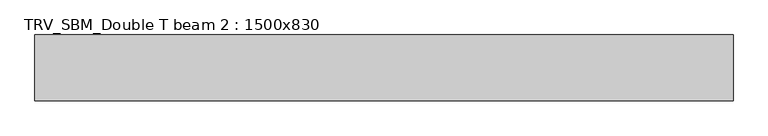
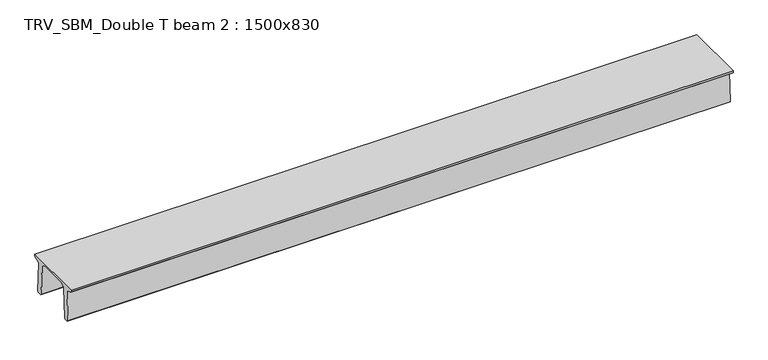
"""IFC4 building model written with IfcOpenShell, lengths in millimetres: beam geometry, TRV_SBM_Double T beam 2 : 1500x830."""

import ifcopenshell
import ifcopenshell.guid

model = None  # the IFC model being written
_history = None  # IfcOwnerHistory: only IFC2X3 demands one
_inside = {}  # id of a spatial element -> (the spatial element, [elements in it])
_under = {}  # id of a project, library or spatial element -> (it, [spatial elements below it])
_declared = {}  # id of a project -> (the project, [libraries it declares])
_typed = {}  # id of a type object -> (the type object, [elements of that type])
_made_of = {}  # id of a material, layer set ... -> (it, [elements and type objects made of it])


def new_model(schema):
    """Start an empty IFC model of exactly this schema.

    Asked for "IFC4X3", IfcOpenShell would pick the latest addendum, in which some entities
    have other attributes; the version numbers below select the first issue.
    IFC2X3 requires an IfcOwnerHistory on every rooted entity: one is made here for all.
    """
    global model, _history
    if schema == "IFC4X3":
        model = ifcopenshell.file(schema_version=(4, 3, 0, 0))
    else:
        model = ifcopenshell.file(schema=schema)
    _inside.clear()
    _under.clear()
    _declared.clear()
    _typed.clear()
    _made_of.clear()
    _history = None
    if model.schema == "IFC2X3":
        org = make("IfcOrganization", Name="unknown")
        user = make(
            "IfcPersonAndOrganization",
            ThePerson=make("IfcPerson", FamilyName="unknown"),
            TheOrganization=org,
        )
        app = make(
            "IfcApplication",
            ApplicationDeveloper=org,
            Version="unknown",
            ApplicationFullName="unknown",
            ApplicationIdentifier="unknown",
        )
        _history = make(
            "IfcOwnerHistory",
            OwningUser=user,
            OwningApplication=app,
            ChangeAction="ADDED",
            CreationDate=0,
        )
    return model


def make(cls, **values):
    """One entity of the class cls with the attributes given. An attribute that is None is left unset."""
    return model.create_entity(
        cls, **{name: value for name, value in values.items() if value is not None}
    )


def rooted(cls, **values):
    """An entity with a GlobalId (a new one), such as an element, a storey or a relation."""
    return make(cls, GlobalId=ifcopenshell.guid.new(), OwnerHistory=_history, **values)


def si_unit(unit_type, name, prefix=None):
    """IfcSIUnit, for example si_unit("LENGTHUNIT", "METRE", prefix="MILLI")."""
    return make("IfcSIUnit", UnitType=unit_type, Prefix=prefix, Name=name)


def assignment(units):
    """IfcUnitAssignment: the units of a project."""
    return None if units is None else make("IfcUnitAssignment", Units=units)


def point(xyz):
    """IfcCartesianPoint."""
    return None if xyz is None else make("IfcCartesianPoint", Coordinates=xyz)


def direction(xyz):
    """IfcDirection."""
    return None if xyz is None else make("IfcDirection", DirectionRatios=xyz)


def frame(location, z_axis=None, x_axis=None):
    """IfcAxis2Placement3D, a coordinate frame: its origin and axes. An axis left out is left unset."""
    return make(
        "IfcAxis2Placement3D",
        Location=point(location),
        Axis=direction(z_axis),
        RefDirection=direction(x_axis),
    )


def origin():
    """The frame at (0, 0, 0) with its axes left unset."""
    return frame((0.0, 0.0, 0.0))


def place(relative_to, where):
    """IfcLocalPlacement: puts the frame where relative to a parent placement (None: the world)."""
    return make(
        "IfcLocalPlacement", PlacementRelTo=relative_to, RelativePlacement=where
    )


def context(
    kind, dimensions, precision=None, world=None, true_north=None, identifier=None
):
    """IfcGeometricRepresentationContext, for example the 3D "Model" context."""
    return make(
        "IfcGeometricRepresentationContext",
        ContextIdentifier=identifier,
        ContextType=kind,
        CoordinateSpaceDimension=dimensions,
        Precision=precision,
        WorldCoordinateSystem=world,
        TrueNorth=true_north,
    )


def project(units=None, contexts=None):
    """IfcProject with its units and contexts."""
    return rooted(
        "IfcProject",
        Name="project",
        RepresentationContexts=contexts,
        UnitsInContext=assignment(units),
    )


def spatial(cls, under=None, at=None, **own):
    """A site, building, storey or space (cls), placed at a placement, below another one or the project."""
    s = rooted(cls, ObjectPlacement=at, **own)
    if under is not None:
        _under.setdefault(under.id(), (under, []))[1].append(s)
    return s


def polyline(points):
    """IfcPolyline through the points."""
    return make("IfcPolyline", Points=[point(p) for p in points])


def outline(outer, holes=None, kind="AREA"):
    """IfcArbitraryClosedProfileDef: a profile drawn as a closed curve; with holes, ...WithVoids."""
    if holes is None:
        return make("IfcArbitraryClosedProfileDef", ProfileType=kind, OuterCurve=outer)
    return make(
        "IfcArbitraryProfileDefWithVoids",
        ProfileType=kind,
        OuterCurve=outer,
        InnerCurves=holes,
    )


def extrude(swept, where, along, depth):
    """IfcExtrudedAreaSolid: the profile swept, set in the frame where, extruded along a direction by depth."""
    return make(
        "IfcExtrudedAreaSolid",
        SweptArea=swept,
        Position=where,
        ExtrudedDirection=direction(along),
        Depth=depth,
    )


def shape(context_of_items, identifier, shape_type, items):
    """IfcShapeRepresentation: the items that make up one representation, for example the "Body"."""
    return make(
        "IfcShapeRepresentation",
        ContextOfItems=context_of_items,
        RepresentationIdentifier=identifier,
        RepresentationType=shape_type,
        Items=items,
    )


def source(mapping_origin, context_of_items, identifier, shape_type, items):
    """IfcRepresentationMap: a shape defined once, which mapped items show again and again."""
    return make(
        "IfcRepresentationMap",
        MappingOrigin=mapping_origin,
        MappedRepresentation=shape(context_of_items, identifier, shape_type, items),
    )


def transform(
    local_origin,
    x_axis=None,
    y_axis=None,
    z_axis=None,
    scale=None,
    scale2=None,
    scale3=None,
    uniform=True,
):
    """IfcCartesianTransformationOperator3D, or its non-uniform kind. x_axis, y_axis, z_axis: its Axis1, 2, 3."""
    if uniform:
        return make(
            "IfcCartesianTransformationOperator3D",
            Axis1=direction(x_axis),
            Axis2=direction(y_axis),
            LocalOrigin=point(local_origin),
            Scale=scale,
            Axis3=direction(z_axis),
        )
    return make(
        "IfcCartesianTransformationOperator3DnonUniform",
        Axis1=direction(x_axis),
        Axis2=direction(y_axis),
        LocalOrigin=point(local_origin),
        Scale=scale,
        Axis3=direction(z_axis),
        Scale2=scale2,
        Scale3=scale3,
    )


def mapped(mapping_source, mapping_target):
    """IfcMappedItem: shows the shape of a source again, moved by a transform."""
    return make(
        "IfcMappedItem", MappingSource=mapping_source, MappingTarget=mapping_target
    )


def made_of(thing, what):
    """Note that an element or type object is made of a material, layer set ...; save() writes the relation."""
    if what is not None:
        _made_of.setdefault(what.id(), (what, []))[1].append(thing)
    return thing


def element(
    cls,
    number,
    at=None,
    inside=None,
    cuts=None,
    type_object=None,
    material=None,
    context=None,
    identifier="Body",
    shape_type=None,
    held_by="IfcProductDefinitionShape",
    body=None,
    shapes=None,
    **own,
):
    """One element of the class cls, such as IfcWall. Its Tag is "e" and its number.

    at: its placement. inside: the storey or other place that contains it. cuts: it is an
    opening in that element (IfcRelVoidsElement). A single representation is given by context,
    identifier, shape_type and body (its items); several are given by shapes. held_by: the class
    of the entity that holds the representations. save() writes the other relations.
    """
    e = rooted(cls, Tag="e%d" % number, ObjectPlacement=at, **own)
    if body is not None:
        shapes = [shape(context, identifier, shape_type, body)]
    if shapes is not None:
        e.Representation = make(held_by, Representations=shapes)
    if inside is not None:
        _inside.setdefault(inside.id(), (inside, []))[1].append(e)
    if cuts is not None:
        rooted(
            "IfcRelVoidsElement", RelatingBuildingElement=cuts, RelatedOpeningElement=e
        )
    if type_object is not None:
        _typed.setdefault(type_object.id(), (type_object, []))[1].append(e)
    return made_of(e, material)


def aggregate(whole, parts):
    """IfcRelAggregates: a whole, such as a stair, and the parts it consists of."""
    return rooted("IfcRelAggregates", RelatingObject=whole, RelatedObjects=parts)


def save(model, path):
    """Write the relations noted so far, then the file.

    IfcRelAggregates (storeys below a building ...), IfcRelContainedInSpatialStructure (elements
    in a storey), IfcRelDefinesByType, IfcRelAssociatesMaterial and IfcRelDeclares: one each for
    every whole, place, type object, material and project.
    """
    for whole, parts in _under.values():
        aggregate(whole, parts)
    for where, things in _inside.values():
        rooted(
            "IfcRelContainedInSpatialStructure",
            RelatedElements=things,
            RelatingStructure=where,
        )
    for kind, things in _typed.values():
        rooted("IfcRelDefinesByType", RelatedObjects=things, RelatingType=kind)
    for what, things in _made_of.values():
        rooted("IfcRelAssociatesMaterial", RelatedObjects=things, RelatingMaterial=what)
    for by, libraries in _declared.values():
        rooted("IfcRelDeclares", RelatingContext=by, RelatedDefinitions=libraries)
    model.write(path)


def trv_sbm_double_t_beam_2_1500x830_252d7baf(model_context):
    return source(origin(), model_context, "Body", "SweptSolid", [
        extrude(outline(polyline([(337.4555014, 470.0), (-343.4555014, 470.0), (-456.5828437, 409.8491251), (-494.786332, -340.5206011), (-514.2657308, -360.0), (-604.2657308, -360.0), (-624.8277662, -339.4379646), (-586.9373878, 401.9654693), (-752.8511046, 468.9989621), (-753.0, 475.0), (-753.0, 520.0), (747.0, 520.0), (747.0, 475.0), (746.8511046, 468.9989621), (580.9373878, 401.9654693), (618.8277662, -339.4379646), (598.2657308, -360.0), (508.2657308, -360.0), (488.786332, -340.5206011), (450.5828437, 409.8491251), (337.4555014, 470.0)])), frame((-7904.5, 0.0, 0.0), z_axis=(1.0, 0.0, 0.0), x_axis=(0.0, 1.0, 0.0)), (0.0, 0.0, 1.0), 15886.0),
    ])


if __name__ == "__main__":
    model = new_model("IFC4")
    model_context = context("Model", 3, world=origin())
    ifc_project = project(units=[si_unit("LENGTHUNIT", "METRE", prefix="MILLI")], contexts=[model_context])
    site = spatial("IfcSite", under=ifc_project)
    building = spatial("IfcBuilding", under=site)
    placement = place(None, origin())
    trv_sbm_double_t_beam_2_1500x830_shape = trv_sbm_double_t_beam_2_1500x830_252d7baf(model_context)
    element("IfcBeam", 1, ObjectType="TRV_SBM_Double T beam 2 : 1500x830", at=placement, inside=building, context=model_context, shape_type="MappedRepresentation", body=[
        mapped(trv_sbm_double_t_beam_2_1500x830_shape, transform((0.0, 0.0, 0.0), x_axis=(1.0, 0.0, 0.0), y_axis=(0.0, 1.0, 0.0), z_axis=(0.0, 0.0, 1.0))),
    ])
    save(model, "model.ifc")
